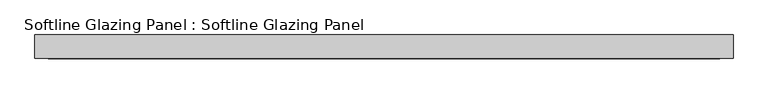
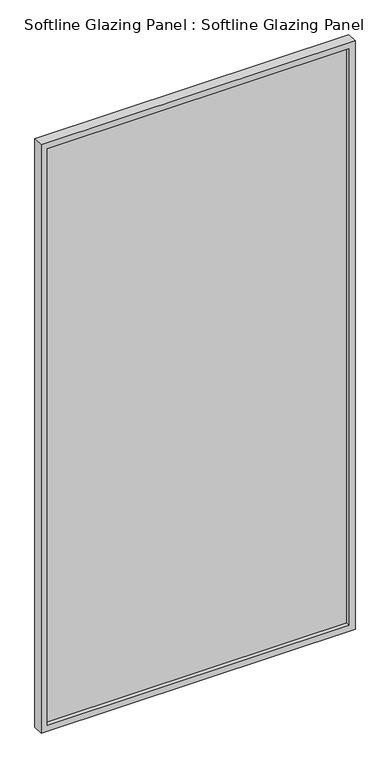
"""IFC4 building model written with IfcOpenShell, lengths in millimetres: plate geometry, Softline Glazing Panel : Softline Glazing Panel."""

from ifc_helpers import new_model, si_unit, frame, origin, place, context, project, spatial, polyline, outline, extrude, faceted_brep, source, transform, mapped, element, save


def softline_glazing_panel_softline_glazing_panel_e9a713ae(model_context):
    return source(origin(), model_context, "Body", "SolidModel", [
        extrude(outline(polyline([(652.0847689, 4.0), (652.0847689, -4.0), (-652.0847689, -4.0), (-652.0847689, 4.0), (652.0847689, 4.0)])), frame((0.0, 0.0, 16.0), z_axis=(0.0, 0.0, 1.0), x_axis=(1.0, 0.0, 0.0)), (0.0, 0.0, 1.0), 2614.0),
        faceted_brep([(642.0847689, 4.0, 26.0), (642.0847689, 22.5, 26.0), (-642.0847689, 22.5, 26.0), (-642.0847689, 4.0, 26.0), (652.0847689, -4.0, 16.0), (652.0847689, 4.0, 16.0), (-652.0847689, 4.0, 16.0), (-652.0847689, -4.0, 16.0), (642.0847689, -22.5, 26.0), (642.0847689, -4.0, 26.0), (-642.0847689, -4.0, 26.0), (-642.0847689, -22.5, 26.0), (668.0847689, 22.5, 0.0), (668.0847689, -22.5, 0.0), (-668.0847689, -22.5, 0.0), (-668.0847689, 22.5, 0.0), (-642.0847689, 22.5, 2620.0), (-642.0847689, 4.0, 2620.0), (-652.0847689, 4.0, 2630.0), (-652.0847689, -4.0, 2630.0), (-642.0847689, -4.0, 2620.0), (-642.0847689, -22.5, 2620.0), (-668.0847689, -22.5, 2646.0), (-668.0847689, 22.5, 2646.0), (642.0847689, 22.5, 2620.0), (642.0847689, 4.0, 2620.0), (652.0847689, 4.0, 2630.0), (652.0847689, -4.0, 2630.0), (642.0847689, -4.0, 2620.0), (642.0847689, -22.5, 2620.0), (668.0847689, -22.5, 2646.0), (668.0847689, 22.5, 2646.0)], [[[0, 1, 2, 3]], [[4, 5, 6, 7]], [[8, 9, 10, 11]], [[12, 13, 14, 15]], [[3, 2, 16, 17]], [[7, 6, 18, 19]], [[11, 10, 20, 21]], [[15, 14, 22, 23]], [[17, 16, 24, 25]], [[19, 18, 26, 27]], [[21, 20, 28, 29]], [[23, 22, 30, 31]], [[15, 23, 31, 12], [1, 24, 16, 2]], [[25, 24, 1, 0]], [[5, 26, 18, 6], [3, 17, 25, 0]], [[27, 26, 5, 4]], [[7, 19, 27, 4], [9, 28, 20, 10]], [[29, 28, 9, 8]], [[13, 30, 22, 14], [11, 21, 29, 8]], [[31, 30, 13, 12]]]),
    ])


if __name__ == "__main__":
    model = new_model("IFC4")
    model_context = context("Model", 3, world=origin())
    ifc_project = project(units=[si_unit("LENGTHUNIT", "METRE", prefix="MILLI")], contexts=[model_context])
    site = spatial("IfcSite", under=ifc_project)
    building = spatial("IfcBuilding", under=site)
    placement = place(None, origin())
    softline_glazing_panel_softline_glazing_panel_shape = softline_glazing_panel_softline_glazing_panel_e9a713ae(model_context)
    element("IfcPlate", 1, ObjectType="Softline Glazing Panel : Softline Glazing Panel", at=placement, inside=building, context=model_context, shape_type="MappedRepresentation", body=[
        mapped(softline_glazing_panel_softline_glazing_panel_shape, transform((0.0, 0.0, 0.0), x_axis=(1.0, 0.0, 0.0), y_axis=(0.0, 1.0, 0.0), z_axis=(0.0, 0.0, 1.0))),
    ])
    save(model, "model.ifc")
